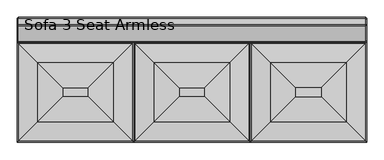
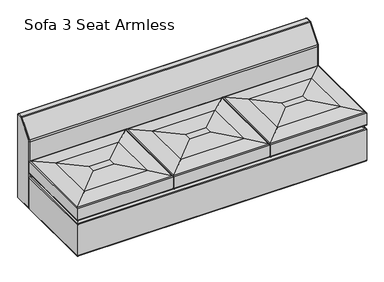
"""IFC4 building model written with IfcOpenShell, lengths in millimetres: furniture geometry, Sofa 3 Seat Armless."""

from ifc_helpers import new_model, si_unit, point, frame, origin, place, context, project, spatial, circle_curve, ellipse_curve, trimmed, source, transform, mapped, element, save
from ifc_brep_helpers import plane_surface, cylinder_surface, revolved_surface, advanced_brep


def sofa_3_seat_armless_f0f2d9bc(model_context):
    return source(origin(), model_context, "Body", "AdvancedBrep", [
        advanced_brep(
        [(714.8589271, -758.2176259, 336.510562), (766.1018533, -706.9746997, 323.8544325), (1367.4981467, -706.9746997, 323.8544325), (1418.7410729, -758.2176259, 336.510562), (1422.4, -761.876553, 342.262138), (711.2, -761.876553, 342.262138), (1422.4, -761.876553, 431.6465239), (711.2, -761.876553, 431.6465239), (1416.8617206, -756.3382736, 437.9444291), (716.7382794, -756.3382736, 437.9444291), (1300.8501341, -640.326687, 452.8968607), (832.7498659, -640.326687, 452.8968607), (1144.999776, -484.476329, 462.8990663), (988.600224, -484.476329, 462.8990663), (1367.4981467, -207.3018533, 323.8544325), (1418.7410729, -156.0589271, 336.510562), (1422.4, -152.4, 342.262138), (1422.4, -152.4, 431.6465239), (1416.8617206, -157.9382794, 437.9444291), (1300.8501341, -273.9498659, 452.8968607), (1144.999776, -429.800224, 462.8990663), (766.1018533, -207.3018533, 323.8544325), (714.8589271, -156.0589271, 336.510562), (711.2, -152.4, 342.262138), (711.2, -152.4, 431.6465239), (716.7382794, -157.9382794, 437.9444291), (832.7498659, -273.9498659, 452.8968607), (988.600224, -429.800224, 462.8990663)],
        [
            (0, 1, ellipse_curve(frame((772.4373178, -700.6392352, 459.5716979), z_axis=(0.7071067811865475, -0.7071067811865475, 0.0), x_axis=(-0.7071067811865476, -0.7071067811865474, 0.0)), 192.1422091, 135.865059)),
            (1, 2),
            (2, 3, ellipse_curve(frame((1361.1626822, -700.6392352, 459.5716979), z_axis=(-0.7071067811865475, -0.7071067811865475, 0.0), x_axis=(-0.7071067811865476, 0.7071067811865474, 0.0)), 192.1422091, 135.865059)),
            (3, 0),
            (3, 4, ellipse_curve(frame((1416.05, -755.526553, 342.262138), z_axis=(-0.7071067811865475, -0.7071067811865475, 0.0), x_axis=(-0.7071067811865476, 0.7071067811865474, 0.0)), 8.9802561, 6.35)),
            (4, 5),
            (5, 0, ellipse_curve(frame((717.55, -755.526553, 342.262138), z_axis=(0.7071067811865475, -0.7071067811865475, 0.0), x_axis=(-0.7071067811865476, -0.7071067811865474, 0.0)), 8.9802561, 6.35)),
            (4, 6),
            (6, 7),
            (7, 5),
            (6, 8, ellipse_curve(frame((1416.05, -755.526553, 431.6465239), z_axis=(-0.7071067811865475, -0.7071067811865475, 0.0), x_axis=(-0.7071067811865476, 0.7071067811865474, 0.0)), 8.9802561, 6.35)),
            (8, 9),
            (9, 7, ellipse_curve(frame((717.55, -755.526553, 431.6465239), z_axis=(0.7071067811865475, -0.7071067811865475, 0.0), x_axis=(-0.7071067811865476, -0.7071067811865474, 0.0)), 8.9802561, 6.35)),
            (8, 10),
            (10, 11),
            (11, 9),
            (10, 12, ellipse_curve(frame((1144.999776, -484.476329, -756.3009337), z_axis=(-0.7071067811865475, -0.7071067811865475, 0.0), x_axis=(-0.7071067811865476, 0.7071067811865474, 0.0)), 1724.2091752, 1219.2)),
            (12, 13),
            (13, 11, ellipse_curve(frame((988.600224, -484.476329, -756.3009337), z_axis=(0.7071067811865475, -0.7071067811865475, 0.0), x_axis=(-0.7071067811865476, -0.7071067811865474, 0.0)), 1724.2091752, 1219.2)),
            (2, 14),
            (14, 15, ellipse_curve(frame((1361.1626822, -213.6373178, 459.5716979), z_axis=(0.7071067811865475, -0.7071067811865475, 0.0), x_axis=(-0.7071067811865474, -0.7071067811865476, 0.0)), 192.1422091, 135.865059)),
            (15, 3),
            (15, 16, ellipse_curve(frame((1416.05, -158.75, 342.262138), z_axis=(0.7071067811865475, -0.7071067811865475, 0.0), x_axis=(-0.7071067811865474, -0.7071067811865476, 0.0)), 8.9802561, 6.35)),
            (16, 4),
            (16, 17),
            (17, 6),
            (17, 18, ellipse_curve(frame((1416.05, -158.75, 431.6465239), z_axis=(0.7071067811865475, -0.7071067811865475, 0.0), x_axis=(-0.7071067811865474, -0.7071067811865476, 0.0)), 8.9802561, 6.35)),
            (18, 8),
            (18, 19),
            (19, 10),
            (19, 20, ellipse_curve(frame((1144.999776, -429.800224, -756.3009337), z_axis=(0.7071067811865475, -0.7071067811865475, 0.0), x_axis=(-0.7071067811865474, -0.7071067811865476, 0.0)), 1724.2091752, 1219.2)),
            (20, 12),
            (14, 21),
            (21, 22, ellipse_curve(frame((772.4373178, -213.6373178, 459.5716979), z_axis=(0.7071067811865475, 0.7071067811865475, 0.0), x_axis=(0.7071067811865476, -0.7071067811865474, 0.0)), 192.1422091, 135.865059)),
            (22, 15),
            (22, 23, ellipse_curve(frame((717.55, -158.75, 342.262138), z_axis=(0.7071067811865475, 0.7071067811865475, 0.0), x_axis=(0.7071067811865476, -0.7071067811865474, 0.0)), 8.9802561, 6.35)),
            (23, 16),
            (23, 24),
            (24, 17),
            (24, 25, ellipse_curve(frame((717.55, -158.75, 431.6465239), z_axis=(0.7071067811865475, 0.7071067811865475, 0.0), x_axis=(0.7071067811865476, -0.7071067811865474, 0.0)), 8.9802561, 6.35)),
            (25, 18),
            (25, 26),
            (26, 19),
            (26, 27, ellipse_curve(frame((988.600224, -429.800224, -756.3009337), z_axis=(0.7071067811865475, 0.7071067811865475, 0.0), x_axis=(0.7071067811865476, -0.7071067811865474, 0.0)), 1724.2091752, 1219.2)),
            (27, 20),
            (1, 21),
            (0, 22),
            (5, 23),
            (7, 24),
            (9, 25),
            (11, 26),
            (13, 27),
        ],
        [
            cylinder_surface(frame((711.2, -700.6392352, 459.5716979), z_axis=(-1.0, 0.0, 0.0), x_axis=(0.0, 1.0, 0.0)), 135.865059),
            cylinder_surface(frame((711.2, -755.526553, 342.262138), z_axis=(-1.0, 0.0, 0.0), x_axis=(0.0, 1.0, 0.0)), 6.35),
            plane_surface(frame((711.2, -761.876553, 342.262138), z_axis=(0.0, -1.0, 0.0), x_axis=(1.0, 0.0, 0.0))),
            cylinder_surface(frame((711.2, -755.526553, 431.6465239), z_axis=(-1.0, 0.0, 0.0), x_axis=(0.0, 1.0, 0.0)), 6.35),
            plane_surface(frame((716.7382794, -756.3382736, 437.9444291), z_axis=(0.0, -0.12783001807990318, 0.9917960911788731), x_axis=(1.0, 0.0, 0.0))),
            cylinder_surface(frame((711.2, -484.476329, -756.3009337), z_axis=(-1.0, 0.0, 0.0), x_axis=(0.0, 1.0, 0.0)), 1219.2),
            cylinder_surface(frame((1361.1626822, -761.876553, 459.5716979), z_axis=(0.0, -1.0, 0.0), x_axis=(-1.0, 0.0, 0.0)), 135.865059),
            cylinder_surface(frame((1416.05, -761.876553, 342.262138), z_axis=(0.0, -1.0, 0.0), x_axis=(-1.0, 0.0, 0.0)), 6.35),
            plane_surface(frame((1422.4, -761.876553, 342.262138), z_axis=(1.0, 0.0, 0.0), x_axis=(0.0, 1.0, 0.0))),
            cylinder_surface(frame((1416.05, -761.876553, 431.6465239), z_axis=(0.0, -1.0, 0.0), x_axis=(-1.0, 0.0, 0.0)), 6.35),
            plane_surface(frame((1416.8617206, -756.3382736, 437.9444291), z_axis=(0.12783001807990318, 0.0, 0.9917960911788731), x_axis=(0.0, 1.0, 0.0))),
            cylinder_surface(frame((1144.999776, -761.876553, -756.3009337), z_axis=(0.0, -1.0, 0.0), x_axis=(-1.0, 0.0, 0.0)), 1219.2),
            cylinder_surface(frame((1422.4, -213.6373178, 459.5716979), z_axis=(1.0, 0.0, 0.0), x_axis=(0.0, -1.0, 0.0)), 135.865059),
            cylinder_surface(frame((1422.4, -158.75, 342.262138), z_axis=(1.0, 0.0, 0.0), x_axis=(0.0, -1.0, 0.0)), 6.35),
            plane_surface(frame((1422.4, -152.4, 342.262138), z_axis=(0.0, 1.0, 0.0), x_axis=(-1.0, 0.0, 0.0))),
            cylinder_surface(frame((1422.4, -158.75, 431.6465239), z_axis=(1.0, 0.0, 0.0), x_axis=(0.0, -1.0, 0.0)), 6.35),
            plane_surface(frame((1416.8617206, -157.9382794, 437.9444291), z_axis=(0.0, 0.12783001807990318, 0.9917960911788731), x_axis=(-1.0, 0.0, 0.0))),
            cylinder_surface(frame((1422.4, -429.800224, -756.3009337), z_axis=(1.0, 0.0, 0.0), x_axis=(0.0, -1.0, 0.0)), 1219.2),
            plane_surface(frame((990.6, -431.8, 323.8544325), z_axis=(0.0, 0.0, -1.0), x_axis=(0.0, -1.0, 0.0))),
            cylinder_surface(frame((772.4373178, -152.4, 459.5716979), z_axis=(0.0, 1.0, 0.0), x_axis=(1.0, 0.0, 0.0)), 135.865059),
            cylinder_surface(frame((717.55, -152.4, 342.262138), z_axis=(0.0, 1.0, 0.0), x_axis=(1.0, 0.0, 0.0)), 6.35),
            plane_surface(frame((711.2, -152.4, 342.262138), z_axis=(-1.0, 0.0, 0.0), x_axis=(0.0, -1.0, 0.0))),
            cylinder_surface(frame((717.55, -152.4, 431.6465239), z_axis=(0.0, 1.0, 0.0), x_axis=(1.0, 0.0, 0.0)), 6.35),
            plane_surface(frame((716.7382794, -157.9382794, 437.9444291), z_axis=(-0.12783001807990318, 0.0, 0.9917960911788731), x_axis=(0.0, -1.0, 0.0))),
            cylinder_surface(frame((988.600224, -152.4, -756.3009337), z_axis=(0.0, 1.0, 0.0), x_axis=(1.0, 0.0, 0.0)), 1219.2),
            plane_surface(frame((988.600224, -429.800224, 462.8990663), z_axis=(0.0, 0.0, 1.0), x_axis=(0.0, -1.0, 0.0))),
        ],
        [
            (0, [[1, 2, 3, 4]]),
            (1, [[-4, 5, 6, 7]]),
            (2, [[-6, 8, 9, 10]]),
            (3, [[-9, 11, 12, 13]]),
            (4, [[-12, 14, 15, 16]]),
            (5, [[-15, 17, 18, 19]]),
            (6, [[-3, 20, 21, 22]]),
            (7, [[-5, -22, 23, 24]]),
            (8, [[-8, -24, 25, 26]]),
            (9, [[-11, -26, 27, 28]]),
            (10, [[-14, -28, 29, 30]]),
            (11, [[-17, -30, 31, 32]]),
            (12, [[-21, 33, 34, 35]]),
            (13, [[-23, -35, 36, 37]]),
            (14, [[-25, -37, 38, 39]]),
            (15, [[-27, -39, 40, 41]]),
            (16, [[-29, -41, 42, 43]]),
            (17, [[-31, -43, 44, 45]]),
            (18, [[-2, 46, -33, -20]]),
            (19, [[-1, 47, -34, -46]]),
            (20, [[-7, 48, -36, -47]]),
            (21, [[-10, 49, -38, -48]]),
            (22, [[-13, 50, -40, -49]]),
            (23, [[-16, 51, -42, -50]]),
            (24, [[-19, 52, -44, -51]]),
            (25, [[-18, -32, -45, -52]]),
        ],
    ),
        advanced_brep(
        [(0.0, -761.876553, 63.5), (6.35, -755.526553, 57.15), (2127.25, -755.526553, 57.15), (2133.6, -761.876553, 63.5), (2133.6, -761.876553, 305.4352053), (0.0, -761.876553, 305.4352053), (2129.944765, -758.221318, 311.1850523), (3.655235, -758.221318, 311.1850523), (2078.6981467, -706.9746997, 323.8599964), (54.9018533, -706.9746997, 323.8599964), (2127.25, -158.75, 57.15), (2133.6, -152.4, 63.5), (2133.6, -152.4, 305.4352053), (2129.944765, -156.055235, 311.1850523), (2078.6981467, -207.3018533, 323.8599964), (6.35, -158.75, 57.15), (0.0, -152.4, 63.5), (0.0, -152.4, 305.4352053), (3.655235, -156.055235, 311.1850523), (54.9018533, -207.3018533, 323.8599964)],
        [
            (0, 1, ellipse_curve(frame((6.35, -755.526553, 63.5), z_axis=(0.7071067811865475, -0.7071067811865475, 0.0), x_axis=(-0.7071067811865476, -0.7071067811865474, 0.0)), 8.9802561, 6.35)),
            (1, 2),
            (2, 3, ellipse_curve(frame((2127.25, -755.526553, 63.5), z_axis=(-0.7071067811865475, -0.7071067811865475, 0.0), x_axis=(-0.7071067811865476, 0.7071067811865474, 0.0)), 8.9802561, 6.35)),
            (3, 0),
            (3, 4),
            (4, 5),
            (5, 0),
            (4, 6, ellipse_curve(frame((2127.25, -755.526553, 305.4352053), z_axis=(-0.7071067811865475, -0.7071067811865475, 0.0), x_axis=(-0.7071067811865476, 0.7071067811865474, 0.0)), 8.9802561, 6.35)),
            (6, 7),
            (7, 5, ellipse_curve(frame((6.35, -755.526553, 305.4352053), z_axis=(0.7071067811865475, -0.7071067811865475, 0.0), x_axis=(-0.7071067811865476, -0.7071067811865474, 0.0)), 8.9802561, 6.35)),
            (6, 8, ellipse_curve(frame((2072.3694749, -700.6460278, 188.3360783), z_axis=(-0.7071067811865475, -0.7071067811865475, 0.0), x_axis=(-0.7071067811865476, 0.7071067811865474, 0.0)), 191.8686241, 135.6716052)),
            (8, 9),
            (9, 7, ellipse_curve(frame((61.2305251, -700.6460278, 188.3360783), z_axis=(0.7071067811865475, -0.7071067811865475, 0.0), x_axis=(-0.7071067811865476, -0.7071067811865474, 0.0)), 191.8686241, 135.6716052)),
            (2, 10),
            (10, 11, ellipse_curve(frame((2127.25, -158.75, 63.5), z_axis=(0.7071067811865475, -0.7071067811865475, 0.0), x_axis=(-0.7071067811865474, -0.7071067811865476, 0.0)), 8.9802561, 6.35)),
            (11, 3),
            (11, 12),
            (12, 4),
            (12, 13, ellipse_curve(frame((2127.25, -158.75, 305.4352053), z_axis=(0.7071067811865475, -0.7071067811865475, 0.0), x_axis=(-0.7071067811865474, -0.7071067811865476, 0.0)), 8.9802561, 6.35)),
            (13, 6),
            (13, 14, ellipse_curve(frame((2072.3694749, -213.6305251, 188.3360783), z_axis=(0.7071067811865475, -0.7071067811865475, 0.0), x_axis=(-0.7071067811865474, -0.7071067811865476, 0.0)), 191.8686241, 135.6716052)),
            (14, 8),
            (10, 15),
            (15, 16, ellipse_curve(frame((6.35, -158.75, 63.5), z_axis=(0.7071067811865475, 0.7071067811865475, 0.0), x_axis=(0.7071067811865476, -0.7071067811865474, 0.0)), 8.9802561, 6.35)),
            (16, 11),
            (16, 17),
            (17, 12),
            (17, 18, ellipse_curve(frame((6.35, -158.75, 305.4352053), z_axis=(0.7071067811865475, 0.7071067811865475, 0.0), x_axis=(0.7071067811865476, -0.7071067811865474, 0.0)), 8.9802561, 6.35)),
            (18, 13),
            (18, 19, ellipse_curve(frame((61.2305251, -213.6305251, 188.3360783), z_axis=(0.7071067811865475, 0.7071067811865475, 0.0), x_axis=(0.7071067811865476, -0.7071067811865474, 0.0)), 191.8686241, 135.6716052)),
            (19, 14),
            (1, 15),
            (0, 16),
            (5, 17),
            (7, 18),
            (9, 19),
        ],
        [
            cylinder_surface(frame((0.0, -755.526553, 63.5), z_axis=(-1.0, 0.0, 0.0), x_axis=(0.0, 1.0, 0.0)), 6.35),
            plane_surface(frame((0.0, -761.876553, 63.5), z_axis=(0.0, -1.0, 0.0), x_axis=(1.0, 0.0, 0.0))),
            cylinder_surface(frame((0.0, -755.526553, 305.4352053), z_axis=(-1.0, 0.0, 0.0), x_axis=(0.0, 1.0, 0.0)), 6.35),
            cylinder_surface(frame((0.0, -700.6460278, 188.3360783), z_axis=(-1.0, 0.0, 0.0), x_axis=(0.0, 1.0, 0.0)), 135.6716052),
            cylinder_surface(frame((2127.25, -761.876553, 63.5), z_axis=(0.0, -1.0, 0.0), x_axis=(-1.0, 0.0, 0.0)), 6.35),
            plane_surface(frame((2133.6, -761.876553, 63.5), z_axis=(1.0, 0.0, 0.0), x_axis=(0.0, 1.0, 0.0))),
            cylinder_surface(frame((2127.25, -761.876553, 305.4352053), z_axis=(0.0, -1.0, 0.0), x_axis=(-1.0, 0.0, 0.0)), 6.35),
            cylinder_surface(frame((2072.3694749, -761.876553, 188.3360783), z_axis=(0.0, -1.0, 0.0), x_axis=(-1.0, 0.0, 0.0)), 135.6716052),
            cylinder_surface(frame((2133.6, -158.75, 63.5), z_axis=(1.0, 0.0, 0.0), x_axis=(0.0, -1.0, 0.0)), 6.35),
            plane_surface(frame((2133.6, -152.4, 63.5), z_axis=(0.0, 1.0, 0.0), x_axis=(-1.0, 0.0, 0.0))),
            cylinder_surface(frame((2133.6, -158.75, 305.4352053), z_axis=(1.0, 0.0, 0.0), x_axis=(0.0, -1.0, 0.0)), 6.35),
            cylinder_surface(frame((2133.6, -213.6305251, 188.3360783), z_axis=(1.0, 0.0, 0.0), x_axis=(0.0, -1.0, 0.0)), 135.6716052),
            plane_surface(frame((279.4, -431.8, 57.15), z_axis=(0.0, 0.0, -1.0), x_axis=(0.0, -1.0, 0.0))),
            cylinder_surface(frame((6.35, -152.4, 63.5), z_axis=(0.0, 1.0, 0.0), x_axis=(1.0, 0.0, 0.0)), 6.35),
            plane_surface(frame((0.0, -152.4, 63.5), z_axis=(-1.0, 0.0, 0.0), x_axis=(0.0, -1.0, 0.0))),
            cylinder_surface(frame((6.35, -152.4, 305.4352053), z_axis=(0.0, 1.0, 0.0), x_axis=(1.0, 0.0, 0.0)), 6.35),
            cylinder_surface(frame((61.2305251, -152.4, 188.3360783), z_axis=(0.0, 1.0, 0.0), x_axis=(1.0, 0.0, 0.0)), 135.6716052),
            plane_surface(frame((54.9018533, -207.3018533, 323.8599964), z_axis=(0.0, 0.0, 1.0), x_axis=(0.0, -1.0, 0.0))),
        ],
        [
            (0, [[1, 2, 3, 4]]),
            (1, [[-4, 5, 6, 7]]),
            (2, [[-6, 8, 9, 10]]),
            (3, [[-9, 11, 12, 13]]),
            (4, [[-3, 14, 15, 16]]),
            (5, [[-5, -16, 17, 18]]),
            (6, [[-8, -18, 19, 20]]),
            (7, [[-11, -20, 21, 22]]),
            (8, [[-15, 23, 24, 25]]),
            (9, [[-17, -25, 26, 27]]),
            (10, [[-19, -27, 28, 29]]),
            (11, [[-21, -29, 30, 31]]),
            (12, [[-2, 32, -23, -14]]),
            (13, [[-1, 33, -24, -32]]),
            (14, [[-7, 34, -26, -33]]),
            (15, [[-10, 35, -28, -34]]),
            (16, [[-13, 36, -30, -35]]),
            (17, [[-12, -22, -31, -36]]),
        ],
    ),
        advanced_brep(
        [(1699.800224, -484.476329, 462.8990663), (1856.199776, -484.476329, 462.8990663), (1856.199776, -429.800224, 462.8990663), (1699.800224, -429.800224, 462.8990663), (2078.6981467, -706.9746997, 323.8535228), (1477.3018533, -706.9746997, 323.8535228), (1477.3018533, -207.3018533, 323.8535228), (2078.6981467, -207.3018533, 323.8535228), (1426.0589271, -758.2176259, 336.510562), (2129.9410729, -758.2176259, 336.510562), (2133.6, -761.876553, 342.262138), (1422.4, -761.876553, 342.262138), (2133.6, -761.876553, 431.6465239), (1422.4, -761.876553, 431.6465239), (2128.0617206, -756.3382736, 437.9444291), (1427.9382794, -756.3382736, 437.9444291), (2012.0501341, -640.326687, 452.8968607), (1543.9498659, -640.326687, 452.8968607), (2129.9410729, -156.0589271, 336.510562), (2133.6, -152.4, 342.262138), (2133.6, -152.4, 431.6465239), (2128.0617206, -157.9382794, 437.9444291), (2012.0501341, -273.9498659, 452.8968607), (1426.0589271, -156.0589271, 336.510562), (1422.4, -152.4, 342.262138), (1422.4, -152.4, 431.6465239), (1427.9382794, -157.9382794, 437.9444291), (1543.9498659, -273.9498659, 452.8968607)],
        [
            (0, 1),
            (1, 2),
            (2, 3),
            (3, 0),
            (4, 5),
            (5, 6),
            (6, 7),
            (7, 4),
            (8, 5, ellipse_curve(frame((1483.6373178, -700.6392352, 459.5716979), z_axis=(0.7071067811865475, -0.7071067811865475, 0.0), x_axis=(-0.7071067811865476, -0.7071067811865474, 0.0)), 192.1422091, 135.865059)),
            (4, 9, ellipse_curve(frame((2072.3626822, -700.6392352, 459.5716979), z_axis=(-0.7071067811865475, -0.7071067811865475, 0.0), x_axis=(-0.7071067811865476, 0.7071067811865474, 0.0)), 192.1422091, 135.865059)),
            (9, 8),
            (9, 10, ellipse_curve(frame((2127.25, -755.526553, 342.262138), z_axis=(-0.7071067811865475, -0.7071067811865475, 0.0), x_axis=(-0.7071067811865476, 0.7071067811865474, 0.0)), 8.9802561, 6.35)),
            (10, 11),
            (11, 8, ellipse_curve(frame((1428.75, -755.526553, 342.262138), z_axis=(0.7071067811865475, -0.7071067811865475, 0.0), x_axis=(-0.7071067811865476, -0.7071067811865474, 0.0)), 8.9802561, 6.35)),
            (10, 12),
            (12, 13),
            (13, 11),
            (12, 14, ellipse_curve(frame((2127.25, -755.526553, 431.6465239), z_axis=(-0.7071067811865475, -0.7071067811865475, 0.0), x_axis=(-0.7071067811865476, 0.7071067811865474, 0.0)), 8.9802561, 6.35)),
            (14, 15),
            (15, 13, ellipse_curve(frame((1428.75, -755.526553, 431.6465239), z_axis=(0.7071067811865475, -0.7071067811865475, 0.0), x_axis=(-0.7071067811865476, -0.7071067811865474, 0.0)), 8.9802561, 6.35)),
            (14, 16),
            (16, 17),
            (17, 15),
            (16, 1, ellipse_curve(frame((1856.199776, -484.476329, -756.3009337), z_axis=(-0.7071067811865475, -0.7071067811865475, 0.0), x_axis=(-0.7071067811865476, 0.7071067811865474, 0.0)), 1724.2091752, 1219.2)),
            (0, 17, ellipse_curve(frame((1699.800224, -484.476329, -756.3009337), z_axis=(0.7071067811865475, -0.7071067811865475, 0.0), x_axis=(-0.7071067811865476, -0.7071067811865474, 0.0)), 1724.2091752, 1219.2)),
            (7, 18, ellipse_curve(frame((2072.3626822, -213.6373178, 459.5716979), z_axis=(0.7071067811865475, -0.7071067811865475, 0.0), x_axis=(-0.7071067811865474, -0.7071067811865476, 0.0)), 192.1422091, 135.865059)),
            (18, 9),
            (18, 19, ellipse_curve(frame((2127.25, -158.75, 342.262138), z_axis=(0.7071067811865475, -0.7071067811865475, 0.0), x_axis=(-0.7071067811865474, -0.7071067811865476, 0.0)), 8.9802561, 6.35)),
            (19, 10),
            (19, 20),
            (20, 12),
            (20, 21, ellipse_curve(frame((2127.25, -158.75, 431.6465239), z_axis=(0.7071067811865475, -0.7071067811865475, 0.0), x_axis=(-0.7071067811865474, -0.7071067811865476, 0.0)), 8.9802561, 6.35)),
            (21, 14),
            (21, 22),
            (22, 16),
            (22, 2, ellipse_curve(frame((1856.199776, -429.800224, -756.3009337), z_axis=(0.7071067811865475, -0.7071067811865475, 0.0), x_axis=(-0.7071067811865474, -0.7071067811865476, 0.0)), 1724.2091752, 1219.2)),
            (6, 23, ellipse_curve(frame((1483.6373178, -213.6373178, 459.5716979), z_axis=(0.7071067811865475, 0.7071067811865475, 0.0), x_axis=(0.7071067811865476, -0.7071067811865474, 0.0)), 192.1422091, 135.865059)),
            (23, 18),
            (23, 24, ellipse_curve(frame((1428.75, -158.75, 342.262138), z_axis=(0.7071067811865475, 0.7071067811865475, 0.0), x_axis=(0.7071067811865476, -0.7071067811865474, 0.0)), 8.9802561, 6.35)),
            (24, 19),
            (24, 25),
            (25, 20),
            (25, 26, ellipse_curve(frame((1428.75, -158.75, 431.6465239), z_axis=(0.7071067811865475, 0.7071067811865475, 0.0), x_axis=(0.7071067811865476, -0.7071067811865474, 0.0)), 8.9802561, 6.35)),
            (26, 21),
            (26, 27),
            (27, 22),
            (27, 3, ellipse_curve(frame((1699.800224, -429.800224, -756.3009337), z_axis=(0.7071067811865475, 0.7071067811865475, 0.0), x_axis=(0.7071067811865476, -0.7071067811865474, 0.0)), 1724.2091752, 1219.2)),
            (8, 23),
            (11, 24),
            (13, 25),
            (15, 26),
            (17, 27),
        ],
        [
            plane_surface(frame((1854.2, -482.476553, 462.8990663), z_axis=(0.0, 0.0, 1.0), x_axis=(1.0, 0.0, 0.0))),
            plane_surface(frame((1854.2, -482.476553, 323.8535228), z_axis=(0.0, 0.0, -1.0), x_axis=(-1.0, 0.0, 0.0))),
            cylinder_surface(frame((1422.4, -700.6392352, 459.5716979), z_axis=(-1.0, 0.0, 0.0), x_axis=(0.0, 1.0, 0.0)), 135.865059),
            cylinder_surface(frame((1422.4, -755.526553, 342.262138), z_axis=(-1.0, 0.0, 0.0), x_axis=(0.0, 1.0, 0.0)), 6.35),
            plane_surface(frame((1422.4, -761.876553, 342.262138), z_axis=(0.0, -1.0, 0.0), x_axis=(1.0, 0.0, 0.0))),
            cylinder_surface(frame((1422.4, -755.526553, 431.6465239), z_axis=(-1.0, 0.0, 0.0), x_axis=(0.0, 1.0, 0.0)), 6.35),
            plane_surface(frame((1427.9382794, -756.3382736, 437.9444291), z_axis=(0.0, -0.12783001807990318, 0.9917960911788731), x_axis=(1.0, 0.0, 0.0))),
            cylinder_surface(frame((1422.4, -484.476329, -756.3009337), z_axis=(-1.0, 0.0, 0.0), x_axis=(0.0, 1.0, 0.0)), 1219.2),
            cylinder_surface(frame((2072.3626822, -761.876553, 459.5716979), z_axis=(0.0, -1.0, 0.0), x_axis=(-1.0, 0.0, 0.0)), 135.865059),
            cylinder_surface(frame((2127.25, -761.876553, 342.262138), z_axis=(0.0, -1.0, 0.0), x_axis=(-1.0, 0.0, 0.0)), 6.35),
            plane_surface(frame((2133.6, -761.876553, 342.262138), z_axis=(1.0, 0.0, 0.0), x_axis=(0.0, 1.0, 0.0))),
            cylinder_surface(frame((2127.25, -761.876553, 431.6465239), z_axis=(0.0, -1.0, 0.0), x_axis=(-1.0, 0.0, 0.0)), 6.35),
            plane_surface(frame((2128.0617206, -756.3382736, 437.9444291), z_axis=(0.12783001807990318, 0.0, 0.9917960911788731), x_axis=(0.0, 1.0, 0.0))),
            cylinder_surface(frame((1856.199776, -761.876553, -756.3009337), z_axis=(0.0, -1.0, 0.0), x_axis=(-1.0, 0.0, 0.0)), 1219.2),
            cylinder_surface(frame((2133.6, -213.6373178, 459.5716979), z_axis=(1.0, 0.0, 0.0), x_axis=(0.0, -1.0, 0.0)), 135.865059),
            cylinder_surface(frame((2133.6, -158.75, 342.262138), z_axis=(1.0, 0.0, 0.0), x_axis=(0.0, -1.0, 0.0)), 6.35),
            plane_surface(frame((2133.6, -152.4, 342.262138), z_axis=(0.0, 1.0, 0.0), x_axis=(-1.0, 0.0, 0.0))),
            cylinder_surface(frame((2133.6, -158.75, 431.6465239), z_axis=(1.0, 0.0, 0.0), x_axis=(0.0, -1.0, 0.0)), 6.35),
            plane_surface(frame((2128.0617206, -157.9382794, 437.9444291), z_axis=(0.0, 0.12783001807990318, 0.9917960911788731), x_axis=(-1.0, 0.0, 0.0))),
            cylinder_surface(frame((2133.6, -429.800224, -756.3009337), z_axis=(1.0, 0.0, 0.0), x_axis=(0.0, -1.0, 0.0)), 1219.2),
            cylinder_surface(frame((1483.6373178, -152.4, 459.5716979), z_axis=(0.0, 1.0, 0.0), x_axis=(1.0, 0.0, 0.0)), 135.865059),
            cylinder_surface(frame((1428.75, -152.4, 342.262138), z_axis=(0.0, 1.0, 0.0), x_axis=(1.0, 0.0, 0.0)), 6.35),
            plane_surface(frame((1422.4, -152.4, 342.262138), z_axis=(-1.0, 0.0, 0.0), x_axis=(0.0, -1.0, 0.0))),
            cylinder_surface(frame((1428.75, -152.4, 431.6465239), z_axis=(0.0, 1.0, 0.0), x_axis=(1.0, 0.0, 0.0)), 6.35),
            plane_surface(frame((1427.9382794, -157.9382794, 437.9444291), z_axis=(-0.12783001807990318, 0.0, 0.9917960911788731), x_axis=(0.0, -1.0, 0.0))),
            cylinder_surface(frame((1699.800224, -152.4, -756.3009337), z_axis=(0.0, 1.0, 0.0), x_axis=(1.0, 0.0, 0.0)), 1219.2),
        ],
        [
            (0, [[1, 2, 3, 4]]),
            (1, [[5, 6, 7, 8]]),
            (2, [[9, -5, 10, 11]]),
            (3, [[-11, 12, 13, 14]]),
            (4, [[-13, 15, 16, 17]]),
            (5, [[-16, 18, 19, 20]]),
            (6, [[-19, 21, 22, 23]]),
            (7, [[-22, 24, -1, 25]]),
            (8, [[-10, -8, 26, 27]]),
            (9, [[-12, -27, 28, 29]]),
            (10, [[-15, -29, 30, 31]]),
            (11, [[-18, -31, 32, 33]]),
            (12, [[-21, -33, 34, 35]]),
            (13, [[-24, -35, 36, -2]]),
            (14, [[-26, -7, 37, 38]]),
            (15, [[-28, -38, 39, 40]]),
            (16, [[-30, -40, 41, 42]]),
            (17, [[-32, -42, 43, 44]]),
            (18, [[-34, -44, 45, 46]]),
            (19, [[-36, -46, 47, -3]]),
            (20, [[-9, 48, -37, -6]]),
            (21, [[-14, 49, -39, -48]]),
            (22, [[-17, 50, -41, -49]]),
            (23, [[-20, 51, -43, -50]]),
            (24, [[-23, 52, -45, -51]]),
            (25, [[-25, -4, -47, -52]]),
        ],
    ),
        advanced_brep(
        [(2127.504, 0.0, 57.15), (2133.6, -6.096, 63.246), (2133.6, -146.304, 63.246), (2127.504, -152.4, 57.15), (6.35, -152.4, 57.15), (6.35, 0.0, 57.15), (0.0, -146.05, 63.5), (0.0, -6.35, 63.5), (2133.6, -146.304, 582.9053774), (2127.504, -152.4, 582.9053774), (6.35, -152.4, 582.9053774), (0.0, -146.05, 582.9053774), (2133.6, -143.1531542, 591.8332792), (2127.504, -147.8987918, 595.6595229), (6.35, -147.8987918, 595.6595229), (0.0, -142.9554193, 591.6738524), (2133.6, -47.690711, 710.2340389), (2127.504, -52.4363486, 714.0602825), (6.35, -52.4363486, 714.0602825), (0.0, -47.4929761, 710.0746121), (2133.6, -45.5156272, 711.2743439), (2127.504, -45.5156272, 717.3703439), (6.35, -45.5156272, 717.3703439), (0.0, -45.5156272, 711.0203439), (2133.6, -8.89, 711.2743439), (2127.504, -8.89, 717.3703439), (6.35, -8.89, 717.3703439), (0.0, -8.89, 711.0203439), (2133.6, -6.096, 708.4803439), (2127.504, 0.0, 708.4803439), (6.35, 0.0, 708.4803439), (0.0, -6.35, 708.4803439)],
        [
            (0, 1, ellipse_curve(frame((2127.504, -6.096, 63.246), z_axis=(0.0, -0.7071067811865476, -0.7071067811865474), x_axis=(0.0, 0.7071067811865476, -0.7071067811865475)), 8.6210459, 6.096)),
            (1, 2),
            (2, 3, ellipse_curve(frame((2127.504, -146.304, 63.246), z_axis=(0.0, 0.7071067811865474, -0.7071067811865476), x_axis=(0.0, 0.7071067811865478, 0.7071067811865474)), 8.6210459, 6.096)),
            (3, 0),
            (3, 4),
            (4, 5),
            (5, 0),
            (4, 6, ellipse_curve(frame((6.35, -146.05, 63.5), z_axis=(0.0, 0.7071067811865474, -0.7071067811865476), x_axis=(0.0, 0.7071067811865478, 0.7071067811865474)), 8.9802561, 6.35)),
            (6, 7),
            (7, 5, ellipse_curve(frame((6.35, -6.35, 63.5), z_axis=(0.0, -0.7071067811865476, -0.7071067811865474), x_axis=(0.0, 0.7071067811865476, -0.7071067811865475)), 8.9802561, 6.35)),
            (2, 8),
            (8, 9, circle_curve(frame((2127.504, -146.304, 582.9053774), z_axis=(0.0, 0.0, -1.0), x_axis=(1.0, 0.0, 0.0)), 6.096)),
            (9, 3),
            (9, 10),
            (10, 4),
            (10, 11, circle_curve(frame((6.35, -146.05, 582.9053774), z_axis=(0.0, 0.0, -1.0), x_axis=(1.0, 0.0, 0.0)), 6.35)),
            (11, 6),
            (8, 12, circle_curve(frame((2133.6, -132.08, 582.9053774), z_axis=(-1.0, 0.0, 0.0), x_axis=(0.0, -1.0, 0.0)), 14.224)),
            (12, 13, circle_curve(frame((2127.504, -143.1531542, 591.8332792), z_axis=(0.0, -0.6276646390690204, -0.77848384752823), x_axis=(1.0, 0.0, 0.0)), 6.096)),
            (13, 9, circle_curve(frame((2127.504, -132.08, 582.9053774), z_axis=(1.0, 0.0, 0.0), x_axis=(0.0, -1.0, 0.0)), 20.32)),
            (13, 14),
            (14, 10, circle_curve(frame((6.35, -132.08, 582.9053774), z_axis=(1.0, 0.0, 0.0), x_axis=(0.0, -1.0, 0.0)), 20.32)),
            (14, 15, circle_curve(frame((6.35, -142.9554193, 591.6738524), z_axis=(0.0, -0.6276646390690184, -0.7784838475282316), x_axis=(1.0, 0.0, 0.0)), 6.35)),
            (15, 11, circle_curve(frame((0.0, -132.08, 582.9053774), z_axis=(1.0, 0.0, 0.0), x_axis=(0.0, -1.0, 0.0)), 13.97)),
            (12, 16),
            (16, 17, circle_curve(frame((2127.504, -47.690711, 710.2340389), z_axis=(0.0, -0.6276646390690137, -0.7784838475282354), x_axis=(1.0, 0.0, 0.0)), 6.096)),
            (17, 13),
            (17, 18),
            (18, 14),
            (18, 19, circle_curve(frame((6.35, -47.4929761, 710.0746121), z_axis=(0.0, -0.6276646390690137, -0.7784838475282354), x_axis=(1.0, 0.0, 0.0)), 6.35)),
            (19, 15),
            (16, 20, circle_curve(frame((2133.6, -45.5156272, 708.4803439), z_axis=(-1.0, 0.0, 0.0), x_axis=(0.0, -0.7784838475282139, 0.6276646390690404)), 2.794)),
            (20, 21, circle_curve(frame((2127.504, -45.5156272, 711.2743439), z_axis=(0.0, -1.0, 0.0), x_axis=(1.0, 0.0, 0.0)), 6.096)),
            (21, 17, circle_curve(frame((2127.504, -45.5156272, 708.4803439), z_axis=(1.0, 0.0, 0.0), x_axis=(0.0, -0.7784838475282139, 0.6276646390690404)), 8.89)),
            (21, 22),
            (22, 18, circle_curve(frame((6.35, -45.5156272, 708.4803439), z_axis=(1.0, 0.0, 0.0), x_axis=(0.0, -0.7784838475282139, 0.6276646390690404)), 8.89)),
            (22, 23, circle_curve(frame((6.35, -45.5156272, 711.0203439), z_axis=(0.0, -1.0, 0.0), x_axis=(1.0, 0.0, 0.0)), 6.35)),
            (23, 19, circle_curve(frame((0.0, -45.5156272, 708.4803439), z_axis=(1.0, 0.0, 0.0), x_axis=(0.0, -0.7784838475282139, 0.6276646390690404)), 2.54)),
            (20, 24),
            (24, 25, circle_curve(frame((2127.504, -8.89, 711.2743439), z_axis=(0.0, -1.0, 0.0), x_axis=(1.0, 0.0, 0.0)), 6.096)),
            (25, 21),
            (25, 26),
            (26, 22),
            (26, 27, circle_curve(frame((6.35, -8.89, 711.0203439), z_axis=(0.0, -1.0, 0.0), x_axis=(1.0, 0.0, 0.0)), 6.35)),
            (27, 23),
            (24, 28, circle_curve(frame((2133.6, -8.89, 708.4803439), z_axis=(-1.0, 0.0, 0.0), x_axis=(0.0, 0.0, 1.0)), 2.794)),
            (28, 29, circle_curve(frame((2127.504, -6.096, 708.4803439), z_axis=(0.0, 0.0, 1.0), x_axis=(1.0, 0.0, 0.0)), 6.096)),
            (29, 25, circle_curve(frame((2127.504, -8.89, 708.4803439), z_axis=(1.0, 0.0, 0.0), x_axis=(0.0, 0.0, 1.0)), 8.89)),
            (29, 30),
            (30, 26, circle_curve(frame((6.35, -8.89, 708.4803439), z_axis=(1.0, 0.0, 0.0), x_axis=(0.0, 0.0, 1.0)), 8.89)),
            (30, 31, circle_curve(frame((6.35, -6.35, 708.4803439), z_axis=(0.0, 0.0, 1.0), x_axis=(1.0, 0.0, 0.0)), 6.35)),
            (31, 27, circle_curve(frame((0.0, -8.89, 708.4803439), z_axis=(1.0, 0.0, 0.0), x_axis=(0.0, 0.0, 1.0)), 2.54)),
            (1, 28),
            (0, 29),
            (5, 30),
            (7, 31),
        ],
        [
            cylinder_surface(frame((2127.504, -7.62, 63.246), z_axis=(0.0, 1.0, 0.0), x_axis=(1.0, 0.0, 0.0)), 6.096),
            plane_surface(frame((2127.504, 0.0, 57.15), z_axis=(0.0, 0.0, -1.0), x_axis=(0.0, -1.0, 0.0))),
            cylinder_surface(frame((6.35, -7.62, 63.5), z_axis=(0.0, 1.0, 0.0), x_axis=(1.0, 0.0, 0.0)), 6.35),
            cylinder_surface(frame((2127.504, -146.304, 64.77), z_axis=(0.0, 0.0, -1.0), x_axis=(1.0, 0.0, 0.0)), 6.096),
            plane_surface(frame((2127.504, -152.4, 57.15), z_axis=(0.0, -1.0, 0.0), x_axis=(0.0, 0.0, 1.0))),
            cylinder_surface(frame((6.35, -146.05, 64.77), z_axis=(0.0, 0.0, -1.0), x_axis=(1.0, 0.0, 0.0)), 6.35),
            revolved_surface(trimmed(ellipse_curve(frame((2127.504, -146.304, 582.9053774), z_axis=(0.0, 0.0, -1.0), x_axis=(1.0, 0.0, 0.0)), 6.096, 6.096), [point((2133.6, -146.304, 582.9053774))], [point((2127.504, -152.4, 582.9053774))], True, "CARTESIAN"), (0.0, -132.08, 582.9053774), (-1.0, 0.0, 0.0)),
            cylinder_surface(frame((0.0, -132.08, 582.9053774), z_axis=(-1.0, 0.0, 0.0), x_axis=(0.0, -1.0, 0.0)), 20.32),
            revolved_surface(trimmed(ellipse_curve(frame((6.35, -146.05, 582.9053774), z_axis=(0.0, 0.0, -1.0), x_axis=(1.0, 0.0, 0.0)), 6.35, 6.35), [point((6.35, -152.4, 582.9053774))], [point((0.0, -146.05, 582.9053774))], True, "CARTESIAN"), (0.0, -132.08, 582.9053774), (-1.0, 0.0, 0.0)),
            cylinder_surface(frame((2127.504, -143.1531542, 591.8332792), z_axis=(0.0, -0.6276646390690137, -0.7784838475282354), x_axis=(1.0, 0.0, 0.0)), 6.096),
            plane_surface(frame((2127.504, -147.8987918, 595.6595229), z_axis=(0.0, -0.7784838475282357, 0.6276646390690134), x_axis=(0.0, 0.6276646390690134, 0.7784838475282357))),
            cylinder_surface(frame((6.35, -142.9554193, 591.6738524), z_axis=(0.0, -0.6276646390690137, -0.7784838475282354), x_axis=(1.0, 0.0, 0.0)), 6.35),
            revolved_surface(trimmed(ellipse_curve(frame((2127.504, -47.690711, 710.2340389), z_axis=(0.0, -0.6276646390690405, -0.7784838475282138), x_axis=(1.0, 0.0, 0.0)), 6.096, 6.096), [point((2133.6, -47.690711, 710.2340389))], [point((2127.504, -52.4363486, 714.0602825))], True, "CARTESIAN"), (0.0, -45.5156272, 708.4803439), (-1.0, 0.0, 0.0)),
            cylinder_surface(frame((0.0, -45.5156272, 708.4803439), z_axis=(-1.0, 0.0, 0.0), x_axis=(0.0, -0.7784838475282139, 0.6276646390690404)), 8.89),
            revolved_surface(trimmed(ellipse_curve(frame((6.35, -47.4929761, 710.0746121), z_axis=(0.0, -0.6276646390690405, -0.7784838475282138), x_axis=(1.0, 0.0, 0.0)), 6.35, 6.35), [point((6.35, -52.4363486, 714.0602825))], [point((0.0, -47.4929761, 710.0746121))], True, "CARTESIAN"), (0.0, -45.5156272, 708.4803439), (-1.0, 0.0, 0.0)),
            cylinder_surface(frame((2127.504, -45.5156272, 711.2743439), z_axis=(0.0, -1.0, 0.0), x_axis=(1.0, 0.0, 0.0)), 6.096),
            plane_surface(frame((2127.504, -45.5156272, 717.3703439), z_axis=(0.0, 0.0, 1.0), x_axis=(0.0, 1.0, 0.0))),
            cylinder_surface(frame((6.35, -45.5156272, 711.0203439), z_axis=(0.0, -1.0, 0.0), x_axis=(1.0, 0.0, 0.0)), 6.35),
            revolved_surface(trimmed(ellipse_curve(frame((2127.504, -8.89, 711.2743439), z_axis=(0.0, -1.0, 0.0), x_axis=(1.0, 0.0, 0.0)), 6.096, 6.096), [point((2133.6, -8.89, 711.2743439))], [point((2127.504, -8.89, 717.3703439))], True, "CARTESIAN"), (0.0, -8.89, 708.4803439), (-1.0, 0.0, 0.0)),
            cylinder_surface(frame((0.0, -8.89, 708.4803439), z_axis=(-1.0, 0.0, 0.0), x_axis=(0.0, 0.0, 1.0)), 8.89),
            revolved_surface(trimmed(ellipse_curve(frame((6.35, -8.89, 711.0203439), z_axis=(0.0, -1.0, 0.0), x_axis=(1.0, 0.0, 0.0)), 6.35, 6.35), [point((6.35, -8.89, 717.3703439))], [point((0.0, -8.89, 711.0203439))], True, "CARTESIAN"), (0.0, -8.89, 708.4803439), (-1.0, 0.0, 0.0)),
            plane_surface(frame((2133.6, -7.62, 708.4803439), z_axis=(1.0, 0.0, 0.0), x_axis=(0.0, 0.0, -1.0))),
            cylinder_surface(frame((2127.504, -6.096, 708.4803439), z_axis=(0.0, 0.0, 1.0), x_axis=(1.0, 0.0, 0.0)), 6.096),
            plane_surface(frame((2127.504, 0.0, 708.4803439), z_axis=(0.0, 1.0, 0.0), x_axis=(0.0, 0.0, -1.0))),
            cylinder_surface(frame((6.35, -6.35, 708.4803439), z_axis=(0.0, 0.0, 1.0), x_axis=(1.0, 0.0, 0.0)), 6.35),
            plane_surface(frame((0.0, -6.35, 708.4803439), z_axis=(-1.0, 0.0, 0.0), x_axis=(0.0, 0.0, -1.0))),
        ],
        [
            (0, [[1, 2, 3, 4]]),
            (1, [[-4, 5, 6, 7]]),
            (2, [[-6, 8, 9, 10]]),
            (3, [[-3, 11, 12, 13]]),
            (4, [[-5, -13, 14, 15]]),
            (5, [[-8, -15, 16, 17]]),
            (6, [[-12, 18, 19, 20]]),
            (7, [[-14, -20, 21, 22]]),
            (8, [[-16, -22, 23, 24]]),
            (9, [[-19, 25, 26, 27]]),
            (10, [[-21, -27, 28, 29]]),
            (11, [[-23, -29, 30, 31]]),
            (12, [[-26, 32, 33, 34]]),
            (13, [[-28, -34, 35, 36]]),
            (14, [[-30, -36, 37, 38]]),
            (15, [[-33, 39, 40, 41]]),
            (16, [[-35, -41, 42, 43]]),
            (17, [[-37, -43, 44, 45]]),
            (18, [[-40, 46, 47, 48]]),
            (19, [[-42, -48, 49, 50]]),
            (20, [[-44, -50, 51, 52]]),
            (21, [[-2, 53, -46, -39, -32, -25, -18, -11]]),
            (22, [[-1, 54, -47, -53]]),
            (23, [[-7, 55, -49, -54]]),
            (24, [[-10, 56, -51, -55]]),
            (25, [[-9, -17, -24, -31, -38, -45, -52, -56]]),
        ],
    ),
        advanced_brep(
        [(127.0, -101.600003, 57.15), (177.8, -101.600003, 57.15), (127.0, -101.600003, 6.35), (177.8, -101.600003, 6.35), (139.7, -101.600003, 6.35), (165.1, -101.600003, 6.35), (139.7, -101.600003, 0.0), (165.1, -101.600003, 0.0)],
        [
            (0, 1, circle_curve(frame((152.4, -101.600003, 57.15), z_axis=(0.0, 0.0, 1.0), x_axis=(1.0, 0.0, 0.0)), 25.4)),
            (1, 0, circle_curve(frame((152.4, -101.600003, 57.15), z_axis=(0.0, 0.0, 1.0), x_axis=(1.0, 0.0, 0.0)), 25.4)),
            (2, 3, circle_curve(frame((152.4, -101.600003, 6.35), z_axis=(0.0, 0.0, -1.0), x_axis=(1.0, 0.0, 0.0)), 25.4)),
            (3, 2, circle_curve(frame((152.4, -101.600003, 6.35), z_axis=(0.0, 0.0, -1.0), x_axis=(1.0, 0.0, 0.0)), 25.4)),
            (4, 5, circle_curve(frame((152.4, -101.600003, 6.35), z_axis=(0.0, 0.0, 1.0), x_axis=(1.0, 0.0, 0.0)), 12.7)),
            (5, 4, circle_curve(frame((152.4, -101.600003, 6.35), z_axis=(0.0, 0.0, 1.0), x_axis=(1.0, 0.0, 0.0)), 12.7)),
            (0, 2),
            (3, 1),
            (6, 7, circle_curve(frame((152.4, -101.600003, 0.0), z_axis=(0.0, 0.0, -1.0), x_axis=(1.0, 0.0, 0.0)), 12.7)),
            (7, 6, circle_curve(frame((152.4, -101.600003, 0.0), z_axis=(0.0, 0.0, -1.0), x_axis=(1.0, 0.0, 0.0)), 12.7)),
            (7, 5),
            (4, 6),
        ],
        [
            plane_surface(frame((177.8, -101.600003, 57.15), z_axis=(0.0, 0.0, 1.0), x_axis=(0.0, 1.0, 0.0))),
            plane_surface(frame((177.8, -101.600003, 6.35), z_axis=(0.0, 0.0, -1.0), x_axis=(0.0, -1.0, 0.0))),
            cylinder_surface(frame((152.4, -101.600003, 6.35), z_axis=(0.0, 0.0, 1.0), x_axis=(1.0, 0.0, 0.0)), 25.4),
            plane_surface(frame((165.1, -101.600003, 0.0), z_axis=(0.0, 0.0, -1.0), x_axis=(0.0, -1.0, 0.0))),
            cylinder_surface(frame((152.4, -101.600003, 0.0), z_axis=(0.0, 0.0, 1.0), x_axis=(1.0, 0.0, 0.0)), 12.7),
        ],
        [
            (0, [[1, 2]]),
            (1, [[3, 4], [5, 6]]),
            (2, [[-1, 7, -4, 8]]),
            (2, [[-2, -8, -3, -7]]),
            (3, [[9, 10]]),
            (4, [[-10, 11, -5, 12]]),
            (4, [[-9, -12, -6, -11]]),
        ],
    ),
        advanced_brep(
        [(127.0, -660.3999879, 57.15), (177.8, -660.3999879, 57.15), (127.0, -660.3999879, 6.35), (177.8, -660.3999879, 6.35), (139.7, -660.3999879, 6.35), (165.1, -660.3999879, 6.35), (139.7, -660.3999879, 0.0), (165.1, -660.3999879, 0.0)],
        [
            (0, 1, circle_curve(frame((152.4, -660.3999879, 57.15), z_axis=(0.0, 0.0, 1.0), x_axis=(1.0, 0.0, 0.0)), 25.4)),
            (1, 0, circle_curve(frame((152.4, -660.3999879, 57.15), z_axis=(0.0, 0.0, 1.0), x_axis=(1.0, 0.0, 0.0)), 25.4)),
            (2, 3, circle_curve(frame((152.4, -660.3999879, 6.35), z_axis=(0.0, 0.0, -1.0), x_axis=(1.0, 0.0, 0.0)), 25.4)),
            (3, 2, circle_curve(frame((152.4, -660.3999879, 6.35), z_axis=(0.0, 0.0, -1.0), x_axis=(1.0, 0.0, 0.0)), 25.4)),
            (4, 5, circle_curve(frame((152.4, -660.3999879, 6.35), z_axis=(0.0, 0.0, 1.0), x_axis=(1.0, 0.0, 0.0)), 12.7)),
            (5, 4, circle_curve(frame((152.4, -660.3999879, 6.35), z_axis=(0.0, 0.0, 1.0), x_axis=(1.0, 0.0, 0.0)), 12.7)),
            (6, 7, circle_curve(frame((152.4, -660.3999879, 0.0), z_axis=(0.0, 0.0, -1.0), x_axis=(1.0, 0.0, 0.0)), 12.7)),
            (7, 6, circle_curve(frame((152.4, -660.3999879, 0.0), z_axis=(0.0, 0.0, -1.0), x_axis=(1.0, 0.0, 0.0)), 12.7)),
            (7, 5),
            (4, 6),
            (0, 2),
            (3, 1),
        ],
        [
            plane_surface(frame((177.8, -101.600003, 57.15), z_axis=(0.0, 0.0, 1.0), x_axis=(0.0, 1.0, 0.0))),
            plane_surface(frame((177.8, -101.600003, 6.35), z_axis=(0.0, 0.0, -1.0), x_axis=(0.0, -1.0, 0.0))),
            plane_surface(frame((165.1, -101.600003, 0.0), z_axis=(0.0, 0.0, -1.0), x_axis=(0.0, -1.0, 0.0))),
            cylinder_surface(frame((152.4, -660.3999879, 0.0), z_axis=(0.0, 0.0, 1.0), x_axis=(1.0, 0.0, 0.0)), 12.7),
            cylinder_surface(frame((152.4, -660.3999879, 0.0), z_axis=(0.0, 0.0, 1.0), x_axis=(1.0, 0.0, 0.0)), 25.4),
        ],
        [
            (0, [[1, 2]]),
            (1, [[3, 4], [5, 6]]),
            (2, [[7, 8]]),
            (3, [[-8, 9, -5, 10]]),
            (3, [[-7, -10, -6, -9]]),
            (4, [[-1, 11, -4, 12]]),
            (4, [[-2, -12, -3, -11]]),
        ],
    ),
        advanced_brep(
        [(1955.8, -101.600003, 57.15), (2006.6, -101.600003, 57.15), (1955.8, -101.600003, 6.35), (2006.6, -101.600003, 6.35), (1968.5, -101.600003, 6.35), (1993.9, -101.600003, 6.35), (1968.5, -101.600003, 0.0), (1993.9, -101.600003, 0.0)],
        [
            (0, 1, circle_curve(frame((1981.2, -101.600003, 57.15), z_axis=(0.0, 0.0, 1.0), x_axis=(1.0, 0.0, 0.0)), 25.4)),
            (1, 0, circle_curve(frame((1981.2, -101.600003, 57.15), z_axis=(0.0, 0.0, 1.0), x_axis=(1.0, 0.0, 0.0)), 25.4)),
            (2, 3, circle_curve(frame((1981.2, -101.600003, 6.35), z_axis=(0.0, 0.0, -1.0), x_axis=(1.0, 0.0, 0.0)), 25.4)),
            (3, 2, circle_curve(frame((1981.2, -101.600003, 6.35), z_axis=(0.0, 0.0, -1.0), x_axis=(1.0, 0.0, 0.0)), 25.4)),
            (4, 5, circle_curve(frame((1981.2, -101.600003, 6.35), z_axis=(0.0, 0.0, 1.0), x_axis=(1.0, 0.0, 0.0)), 12.7)),
            (5, 4, circle_curve(frame((1981.2, -101.600003, 6.35), z_axis=(0.0, 0.0, 1.0), x_axis=(1.0, 0.0, 0.0)), 12.7)),
            (6, 7, circle_curve(frame((1981.2, -101.600003, 0.0), z_axis=(0.0, 0.0, -1.0), x_axis=(1.0, 0.0, 0.0)), 12.7)),
            (7, 6, circle_curve(frame((1981.2, -101.600003, 0.0), z_axis=(0.0, 0.0, -1.0), x_axis=(1.0, 0.0, 0.0)), 12.7)),
            (7, 5),
            (4, 6),
            (0, 2),
            (3, 1),
        ],
        [
            plane_surface(frame((177.8, -101.600003, 57.15), z_axis=(0.0, 0.0, 1.0), x_axis=(0.0, 1.0, 0.0))),
            plane_surface(frame((177.8, -101.600003, 6.35), z_axis=(0.0, 0.0, -1.0), x_axis=(0.0, -1.0, 0.0))),
            plane_surface(frame((165.1, -101.600003, 0.0), z_axis=(0.0, 0.0, -1.0), x_axis=(0.0, -1.0, 0.0))),
            cylinder_surface(frame((1981.2, -101.600003, 0.0), z_axis=(0.0, 0.0, 1.0), x_axis=(1.0, 0.0, 0.0)), 12.7),
            cylinder_surface(frame((1981.2, -101.600003, 0.0), z_axis=(0.0, 0.0, 1.0), x_axis=(1.0, 0.0, 0.0)), 25.4),
        ],
        [
            (0, [[1, 2]]),
            (1, [[3, 4], [5, 6]]),
            (2, [[7, 8]]),
            (3, [[-8, 9, -5, 10]]),
            (3, [[-7, -10, -6, -9]]),
            (4, [[-1, 11, -4, 12]]),
            (4, [[-2, -12, -3, -11]]),
        ],
    ),
        advanced_brep(
        [(1955.8, -660.3999879, 57.15), (2006.6, -660.3999879, 57.15), (1955.8, -660.3999879, 6.35), (2006.6, -660.3999879, 6.35), (1968.5, -660.3999879, 6.35), (1993.9, -660.3999879, 6.35), (1968.5, -660.3999879, 0.0), (1993.9, -660.3999879, 0.0)],
        [
            (0, 1, circle_curve(frame((1981.2, -660.3999879, 57.15), z_axis=(0.0, 0.0, 1.0), x_axis=(1.0, 0.0, 0.0)), 25.4)),
            (1, 0, circle_curve(frame((1981.2, -660.3999879, 57.15), z_axis=(0.0, 0.0, 1.0), x_axis=(1.0, 0.0, 0.0)), 25.4)),
            (2, 3, circle_curve(frame((1981.2, -660.3999879, 6.35), z_axis=(0.0, 0.0, -1.0), x_axis=(1.0, 0.0, 0.0)), 25.4)),
            (3, 2, circle_curve(frame((1981.2, -660.3999879, 6.35), z_axis=(0.0, 0.0, -1.0), x_axis=(1.0, 0.0, 0.0)), 25.4)),
            (4, 5, circle_curve(frame((1981.2, -660.3999879, 6.35), z_axis=(0.0, 0.0, 1.0), x_axis=(1.0, 0.0, 0.0)), 12.7)),
            (5, 4, circle_curve(frame((1981.2, -660.3999879, 6.35), z_axis=(0.0, 0.0, 1.0), x_axis=(1.0, 0.0, 0.0)), 12.7)),
            (6, 7, circle_curve(frame((1981.2, -660.3999879, 0.0), z_axis=(0.0, 0.0, -1.0), x_axis=(1.0, 0.0, 0.0)), 12.7)),
            (7, 6, circle_curve(frame((1981.2, -660.3999879, 0.0), z_axis=(0.0, 0.0, -1.0), x_axis=(1.0, 0.0, 0.0)), 12.7)),
            (7, 5),
            (4, 6),
            (0, 2),
            (3, 1),
        ],
        [
            plane_surface(frame((177.8, -101.600003, 57.15), z_axis=(0.0, 0.0, 1.0), x_axis=(0.0, 1.0, 0.0))),
            plane_surface(frame((177.8, -101.600003, 6.35), z_axis=(0.0, 0.0, -1.0), x_axis=(0.0, -1.0, 0.0))),
            plane_surface(frame((165.1, -101.600003, 0.0), z_axis=(0.0, 0.0, -1.0), x_axis=(0.0, -1.0, 0.0))),
            cylinder_surface(frame((1981.2, -660.3999879, 0.0), z_axis=(0.0, 0.0, 1.0), x_axis=(1.0, 0.0, 0.0)), 12.7),
            cylinder_surface(frame((1981.2, -660.3999879, 0.0), z_axis=(0.0, 0.0, 1.0), x_axis=(1.0, 0.0, 0.0)), 25.4),
        ],
        [
            (0, [[1, 2]]),
            (1, [[3, 4], [5, 6]]),
            (2, [[7, 8]]),
            (3, [[-8, 9, -5, 10]]),
            (3, [[-7, -10, -6, -9]]),
            (4, [[-1, 11, -4, 12]]),
            (4, [[-2, -12, -3, -11]]),
        ],
    ),
        advanced_brep(
        [(3.6589271, -758.2176259, 336.510562), (54.9018533, -706.9746997, 323.8544325), (656.2981467, -706.9746997, 323.8544325), (707.5410729, -758.2176259, 336.510562), (711.2, -761.876553, 342.262138), (0.0, -761.876553, 342.262138), (711.2, -761.876553, 431.6465239), (0.0, -761.876553, 431.6465239), (705.6617206, -756.3382736, 437.9444291), (5.5382794, -756.3382736, 437.9444291), (589.6501341, -640.326687, 452.8968607), (121.5498659, -640.326687, 452.8968607), (433.799776, -484.476329, 462.8990663), (277.400224, -484.476329, 462.8990663), (656.2981467, -207.3018533, 323.8544325), (707.5410729, -156.0589271, 336.510562), (711.2, -152.4, 342.262138), (711.2, -152.4, 431.6465239), (705.6617206, -157.9382794, 437.9444291), (589.6501341, -273.9498659, 452.8968607), (433.799776, -429.800224, 462.8990663), (54.9018533, -207.3018533, 323.8544325), (3.6589271, -156.0589271, 336.510562), (0.0, -152.4, 342.262138), (0.0, -152.4, 431.6465239), (5.5382794, -157.9382794, 437.9444291), (121.5498659, -273.9498659, 452.8968607), (277.400224, -429.800224, 462.8990663)],
        [
            (0, 1, ellipse_curve(frame((61.2373178, -700.6392352, 459.5716979), z_axis=(0.7071067811865475, -0.7071067811865475, 0.0), x_axis=(-0.7071067811865476, -0.7071067811865474, 0.0)), 192.1422091, 135.865059)),
            (1, 2),
            (2, 3, ellipse_curve(frame((649.9626822, -700.6392352, 459.5716979), z_axis=(-0.7071067811865475, -0.7071067811865475, 0.0), x_axis=(-0.7071067811865476, 0.7071067811865474, 0.0)), 192.1422091, 135.865059)),
            (3, 0),
            (3, 4, ellipse_curve(frame((704.85, -755.526553, 342.262138), z_axis=(-0.7071067811865475, -0.7071067811865475, 0.0), x_axis=(-0.7071067811865476, 0.7071067811865474, 0.0)), 8.9802561, 6.35)),
            (4, 5),
            (5, 0, ellipse_curve(frame((6.35, -755.526553, 342.262138), z_axis=(0.7071067811865475, -0.7071067811865475, 0.0), x_axis=(-0.7071067811865476, -0.7071067811865474, 0.0)), 8.9802561, 6.35)),
            (4, 6),
            (6, 7),
            (7, 5),
            (6, 8, ellipse_curve(frame((704.85, -755.526553, 431.6465239), z_axis=(-0.7071067811865475, -0.7071067811865475, 0.0), x_axis=(-0.7071067811865476, 0.7071067811865474, 0.0)), 8.9802561, 6.35)),
            (8, 9),
            (9, 7, ellipse_curve(frame((6.35, -755.526553, 431.6465239), z_axis=(0.7071067811865475, -0.7071067811865475, 0.0), x_axis=(-0.7071067811865476, -0.7071067811865474, 0.0)), 8.9802561, 6.35)),
            (8, 10),
            (10, 11),
            (11, 9),
            (10, 12, ellipse_curve(frame((433.799776, -484.476329, -756.3009337), z_axis=(-0.7071067811865475, -0.7071067811865475, 0.0), x_axis=(-0.7071067811865476, 0.7071067811865474, 0.0)), 1724.2091752, 1219.2)),
            (12, 13),
            (13, 11, ellipse_curve(frame((277.400224, -484.476329, -756.3009337), z_axis=(0.7071067811865475, -0.7071067811865475, 0.0), x_axis=(-0.7071067811865476, -0.7071067811865474, 0.0)), 1724.2091752, 1219.2)),
            (2, 14),
            (14, 15, ellipse_curve(frame((649.9626822, -213.6373178, 459.5716979), z_axis=(0.7071067811865475, -0.7071067811865475, 0.0), x_axis=(-0.7071067811865474, -0.7071067811865476, 0.0)), 192.1422091, 135.865059)),
            (15, 3),
            (15, 16, ellipse_curve(frame((704.85, -158.75, 342.262138), z_axis=(0.7071067811865475, -0.7071067811865475, 0.0), x_axis=(-0.7071067811865474, -0.7071067811865476, 0.0)), 8.9802561, 6.35)),
            (16, 4),
            (16, 17),
            (17, 6),
            (17, 18, ellipse_curve(frame((704.85, -158.75, 431.6465239), z_axis=(0.7071067811865475, -0.7071067811865475, 0.0), x_axis=(-0.7071067811865474, -0.7071067811865476, 0.0)), 8.9802561, 6.35)),
            (18, 8),
            (18, 19),
            (19, 10),
            (19, 20, ellipse_curve(frame((433.799776, -429.800224, -756.3009337), z_axis=(0.7071067811865475, -0.7071067811865475, 0.0), x_axis=(-0.7071067811865474, -0.7071067811865476, 0.0)), 1724.2091752, 1219.2)),
            (20, 12),
            (14, 21),
            (21, 22, ellipse_curve(frame((61.2373178, -213.6373178, 459.5716979), z_axis=(0.7071067811865475, 0.7071067811865475, 0.0), x_axis=(0.7071067811865476, -0.7071067811865474, 0.0)), 192.1422091, 135.865059)),
            (22, 15),
            (22, 23, ellipse_curve(frame((6.35, -158.75, 342.262138), z_axis=(0.7071067811865475, 0.7071067811865475, 0.0), x_axis=(0.7071067811865476, -0.7071067811865474, 0.0)), 8.9802561, 6.35)),
            (23, 16),
            (23, 24),
            (24, 17),
            (24, 25, ellipse_curve(frame((6.35, -158.75, 431.6465239), z_axis=(0.7071067811865475, 0.7071067811865475, 0.0), x_axis=(0.7071067811865476, -0.7071067811865474, 0.0)), 8.9802561, 6.35)),
            (25, 18),
            (25, 26),
            (26, 19),
            (26, 27, ellipse_curve(frame((277.400224, -429.800224, -756.3009337), z_axis=(0.7071067811865475, 0.7071067811865475, 0.0), x_axis=(0.7071067811865476, -0.7071067811865474, 0.0)), 1724.2091752, 1219.2)),
            (27, 20),
            (1, 21),
            (0, 22),
            (5, 23),
            (7, 24),
            (9, 25),
            (11, 26),
            (13, 27),
        ],
        [
            cylinder_surface(frame((0.0, -700.6392352, 459.5716979), z_axis=(-1.0, 0.0, 0.0), x_axis=(0.0, 1.0, 0.0)), 135.865059),
            cylinder_surface(frame((0.0, -755.526553, 342.262138), z_axis=(-1.0, 0.0, 0.0), x_axis=(0.0, 1.0, 0.0)), 6.35),
            plane_surface(frame((0.0, -761.876553, 342.262138), z_axis=(0.0, -1.0, 0.0), x_axis=(1.0, 0.0, 0.0))),
            cylinder_surface(frame((0.0, -755.526553, 431.6465239), z_axis=(-1.0, 0.0, 0.0), x_axis=(0.0, 1.0, 0.0)), 6.35),
            plane_surface(frame((5.5382794, -756.3382736, 437.9444291), z_axis=(0.0, -0.12783001807990318, 0.9917960911788731), x_axis=(1.0, 0.0, 0.0))),
            cylinder_surface(frame((0.0, -484.476329, -756.3009337), z_axis=(-1.0, 0.0, 0.0), x_axis=(0.0, 1.0, 0.0)), 1219.2),
            cylinder_surface(frame((649.9626822, -761.876553, 459.5716979), z_axis=(0.0, -1.0, 0.0), x_axis=(-1.0, 0.0, 0.0)), 135.865059),
            cylinder_surface(frame((704.85, -761.876553, 342.262138), z_axis=(0.0, -1.0, 0.0), x_axis=(-1.0, 0.0, 0.0)), 6.35),
            plane_surface(frame((711.2, -761.876553, 342.262138), z_axis=(1.0, 0.0, 0.0), x_axis=(0.0, 1.0, 0.0))),
            cylinder_surface(frame((704.85, -761.876553, 431.6465239), z_axis=(0.0, -1.0, 0.0), x_axis=(-1.0, 0.0, 0.0)), 6.35),
            plane_surface(frame((705.6617206, -756.3382736, 437.9444291), z_axis=(0.12783001807990318, 0.0, 0.9917960911788731), x_axis=(0.0, 1.0, 0.0))),
            cylinder_surface(frame((433.799776, -761.876553, -756.3009337), z_axis=(0.0, -1.0, 0.0), x_axis=(-1.0, 0.0, 0.0)), 1219.2),
            cylinder_surface(frame((711.2, -213.6373178, 459.5716979), z_axis=(1.0, 0.0, 0.0), x_axis=(0.0, -1.0, 0.0)), 135.865059),
            cylinder_surface(frame((711.2, -158.75, 342.262138), z_axis=(1.0, 0.0, 0.0), x_axis=(0.0, -1.0, 0.0)), 6.35),
            plane_surface(frame((711.2, -152.4, 342.262138), z_axis=(0.0, 1.0, 0.0), x_axis=(-1.0, 0.0, 0.0))),
            cylinder_surface(frame((711.2, -158.75, 431.6465239), z_axis=(1.0, 0.0, 0.0), x_axis=(0.0, -1.0, 0.0)), 6.35),
            plane_surface(frame((705.6617206, -157.9382794, 437.9444291), z_axis=(0.0, 0.12783001807990318, 0.9917960911788731), x_axis=(-1.0, 0.0, 0.0))),
            cylinder_surface(frame((711.2, -429.800224, -756.3009337), z_axis=(1.0, 0.0, 0.0), x_axis=(0.0, -1.0, 0.0)), 1219.2),
            plane_surface(frame((279.4, -431.8, 323.8544325), z_axis=(0.0, 0.0, -1.0), x_axis=(0.0, -1.0, 0.0))),
            cylinder_surface(frame((61.2373178, -152.4, 459.5716979), z_axis=(0.0, 1.0, 0.0), x_axis=(1.0, 0.0, 0.0)), 135.865059),
            cylinder_surface(frame((6.35, -152.4, 342.262138), z_axis=(0.0, 1.0, 0.0), x_axis=(1.0, 0.0, 0.0)), 6.35),
            plane_surface(frame((0.0, -152.4, 342.262138), z_axis=(-1.0, 0.0, 0.0), x_axis=(0.0, -1.0, 0.0))),
            cylinder_surface(frame((6.35, -152.4, 431.6465239), z_axis=(0.0, 1.0, 0.0), x_axis=(1.0, 0.0, 0.0)), 6.35),
            plane_surface(frame((5.5382794, -157.9382794, 437.9444291), z_axis=(-0.12783001807990318, 0.0, 0.9917960911788731), x_axis=(0.0, -1.0, 0.0))),
            cylinder_surface(frame((277.400224, -152.4, -756.3009337), z_axis=(0.0, 1.0, 0.0), x_axis=(1.0, 0.0, 0.0)), 1219.2),
            plane_surface(frame((277.400224, -429.800224, 462.8990663), z_axis=(0.0, 0.0, 1.0), x_axis=(0.0, -1.0, 0.0))),
        ],
        [
            (0, [[1, 2, 3, 4]]),
            (1, [[-4, 5, 6, 7]]),
            (2, [[-6, 8, 9, 10]]),
            (3, [[-9, 11, 12, 13]]),
            (4, [[-12, 14, 15, 16]]),
            (5, [[-15, 17, 18, 19]]),
            (6, [[-3, 20, 21, 22]]),
            (7, [[-5, -22, 23, 24]]),
            (8, [[-8, -24, 25, 26]]),
            (9, [[-11, -26, 27, 28]]),
            (10, [[-14, -28, 29, 30]]),
            (11, [[-17, -30, 31, 32]]),
            (12, [[-21, 33, 34, 35]]),
            (13, [[-23, -35, 36, 37]]),
            (14, [[-25, -37, 38, 39]]),
            (15, [[-27, -39, 40, 41]]),
            (16, [[-29, -41, 42, 43]]),
            (17, [[-31, -43, 44, 45]]),
            (18, [[-2, 46, -33, -20]]),
            (19, [[-1, 47, -34, -46]]),
            (20, [[-7, 48, -36, -47]]),
            (21, [[-10, 49, -38, -48]]),
            (22, [[-13, 50, -40, -49]]),
            (23, [[-16, 51, -42, -50]]),
            (24, [[-19, 52, -44, -51]]),
            (25, [[-18, -32, -45, -52]]),
        ],
    ),
    ])


if __name__ == "__main__":
    model = new_model("IFC4")
    model_context = context("Model", 3, world=origin())
    ifc_project = project(units=[si_unit("LENGTHUNIT", "METRE", prefix="MILLI")], contexts=[model_context])
    site = spatial("IfcSite", under=ifc_project)
    building = spatial("IfcBuilding", under=site)
    placement = place(None, origin())
    sofa_3_seat_armless_shape = sofa_3_seat_armless_f0f2d9bc(model_context)
    element("IfcFurniture", 1, ObjectType="Sofa 3 Seat Armless", at=placement, inside=building, context=model_context, shape_type="MappedRepresentation", body=[
        mapped(sofa_3_seat_armless_shape, transform((0.0, 0.0, 0.0), x_axis=(1.0, 0.0, 0.0), y_axis=(0.0, 1.0, 0.0), z_axis=(0.0, 0.0, 1.0))),
    ])
    save(model, "model.ifc")
